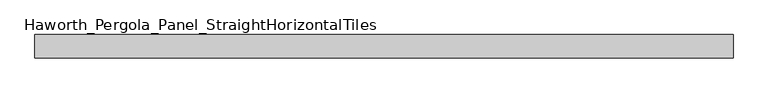
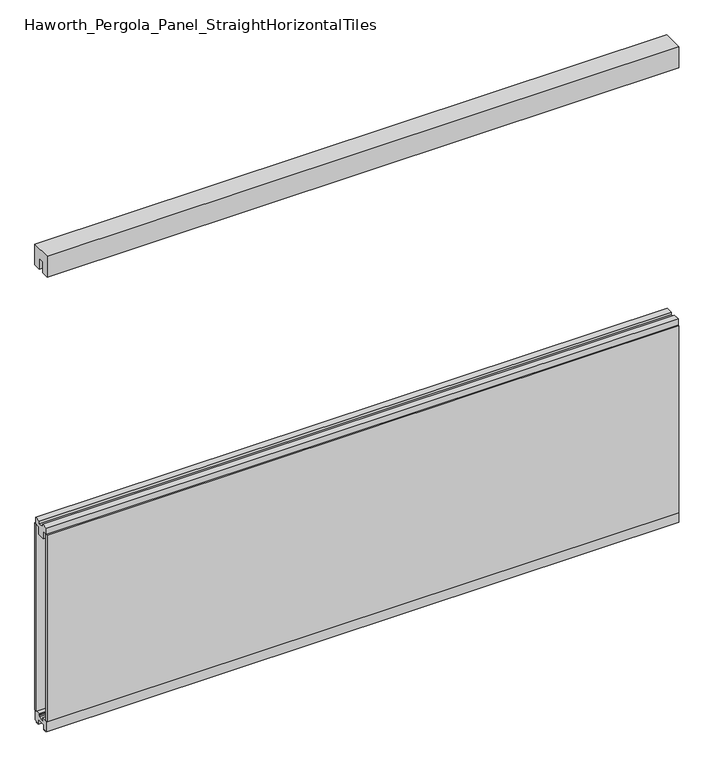
"""IFC4 building model written with IfcOpenShell, lengths in millimetres: furniture geometry, Haworth_Pergola_Panel_StraightHorizontalTiles."""

from ifc_helpers import new_model, si_unit, frame, origin, place, context, project, spatial, polyline, outline, extrude, source, transform, mapped, element, save


def haworth_pergola_panel_straighthorizontaltiles_ec1b6969(model_context):
    return source(origin(), model_context, "Body", "SweptSolid", [
        extrude(outline(polyline([(12.7, 1047.75), (44.45, 1047.75), (44.45, 1016.0), (19.05, 1016.0), (19.05, 977.9), (-19.05, 977.9), (-19.05, 1016.0), (-44.45, 1016.0), (-44.45, 1047.75), (-12.7, 1047.75), (-12.7, 1035.05), (12.7, 1035.05), (12.7, 1047.75)])), frame((-1485.9, 0.0, 0.0), z_axis=(1.0, 0.0, 0.0), x_axis=(0.0, 1.0, 0.0)), (0.0, 0.0, 1.0), 3048.0),
        extrude(outline(polyline([(-1485.9, 50.8), (1562.1, 50.8), (1562.1, 38.1), (-1485.9, 38.1), (-1485.9, 50.8)])), frame((0.0, 0.0, 63.5), z_axis=(0.0, 0.0, 1.0), x_axis=(1.0, 0.0, 0.0)), (0.0, 0.0, 1.0), 952.5),
        extrude(outline(polyline([(-1485.9, -38.1), (1562.1, -38.1), (1562.1, -50.8), (-1485.9, -50.8), (-1485.9, -38.1)])), frame((0.0, 0.0, 63.5), z_axis=(0.0, 0.0, 1.0), x_axis=(1.0, 0.0, 0.0)), (0.0, 0.0, 1.0), 952.5),
        extrude(outline(polyline([(-50.8, 2438.4), (50.8, 2438.4), (50.8, 2331.8390625), (15.2182948, 2331.8390625), (15.2182948, 2388.7001663), (-15.2182948, 2388.7001663), (-15.2182948, 2331.8390625), (-50.8, 2331.8390625), (-50.8, 2438.4)])), frame((-1485.9, 0.0, 0.0), z_axis=(1.0, 0.0, 0.0), x_axis=(0.0, 1.0, 0.0)), (0.0, 0.0, 1.0), 3048.0),
        extrude(outline(polyline([(-16.2000002, 63.5), (-16.5085717, 61.7499999), (-13.3999996, 61.7499999), (-13.3999996, 58.8973461), (-15.4000002, 59.2499999), (-15.4000002, 48.3500004), (15.4000003, 48.3500004), (15.4000003, 59.2499999), (13.3999997, 58.8973461), (13.3999997, 61.7499999), (16.5085718, 61.7499999), (16.2000003, 63.5), (50.0000004, 63.5), (50.0000004, 12.6999985), (40.9499987, 12.6999985), (38.9499981, 10.6999979), (28.9499999, 10.6999979), (28.9499999, 7.6999994), (38.9499981, 7.6999994), (38.9499981, 5.6999988), (23.7499993, 5.6999988), (23.7499993, 31.4500009), (-23.7499992, 31.4500009), (-23.7499992, 5.6999988), (-38.949998, 5.6999988), (-38.949998, 7.6999994), (-28.9499998, 7.6999994), (-28.9499998, 10.6999979), (-38.949998, 10.6999979), (-40.9499986, 12.6999985), (-50.0000003, 12.6999985), (-50.0000003, 63.5), (-16.2000002, 63.5)])), frame((-1485.9, 0.0, 0.0), z_axis=(1.0, 0.0, 0.0), x_axis=(0.0, 1.0, 0.0)), (0.0, 0.0, 1.0), 3048.0),
    ])


if __name__ == "__main__":
    model = new_model("IFC4")
    model_context = context("Model", 3, world=origin())
    ifc_project = project(units=[si_unit("LENGTHUNIT", "METRE", prefix="MILLI")], contexts=[model_context])
    site = spatial("IfcSite", under=ifc_project)
    building = spatial("IfcBuilding", under=site)
    placement = place(None, origin())
    haworth_pergola_panel_straighthorizontaltiles_shape = haworth_pergola_panel_straighthorizontaltiles_ec1b6969(model_context)
    element("IfcFurniture", 1, ObjectType="Haworth_Pergola_Panel_StraightHorizontalTiles", at=placement, inside=building, context=model_context, shape_type="MappedRepresentation", body=[
        mapped(haworth_pergola_panel_straighthorizontaltiles_shape, transform((0.0, 0.0, 0.0), x_axis=(1.0, 0.0, 0.0), y_axis=(0.0, 1.0, 0.0), z_axis=(0.0, 0.0, 1.0))),
    ])
    save(model, "model.ifc")
